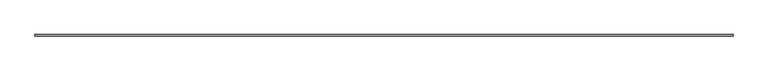
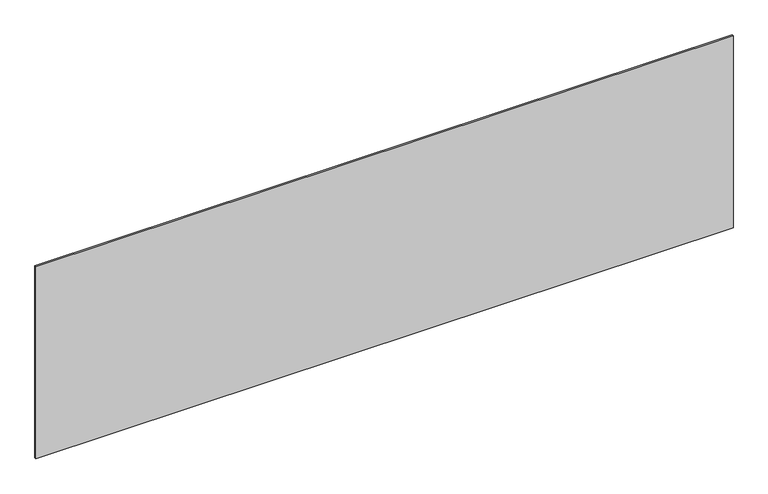
"""IFC4 building model written with IfcOpenShell, lengths in millimetres: plate geometry."""

from ifc_helpers import new_model, si_unit, origin, origin_with_axes, place, context, project, spatial, polyline, outline, extrude, source, transform, mapped, element, save


def plate_9005888e(model_context):
    return source(origin(), model_context, "Body", "SweptSolid", [
        extrude(outline(polyline([(2264.1666667, -5.0), (-2264.1666667, -5.0), (-2264.1666667, 5.0), (2264.1666667, 5.0), (2264.1666667, -5.0)])), origin_with_axes(), (0.0, 0.0, 1.0), 1318.3749289),
    ])


if __name__ == "__main__":
    model = new_model("IFC4")
    model_context = context("Model", 3, world=origin())
    ifc_project = project(units=[si_unit("LENGTHUNIT", "METRE", prefix="MILLI")], contexts=[model_context])
    site = spatial("IfcSite", under=ifc_project)
    building = spatial("IfcBuilding", under=site)
    placement = place(None, origin())
    plate_shape = plate_9005888e(model_context)
    element("IfcPlate", 1, at=placement, inside=building, context=model_context, shape_type="MappedRepresentation", body=[
        mapped(plate_shape, transform((0.0, 0.0, 0.0), x_axis=(1.0, 0.0, 0.0), y_axis=(0.0, 1.0, 0.0), z_axis=(0.0, 0.0, 1.0))),
    ])
    save(model, "model.ifc")
